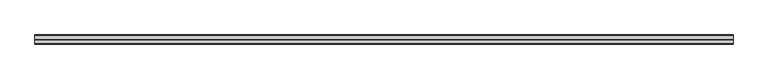
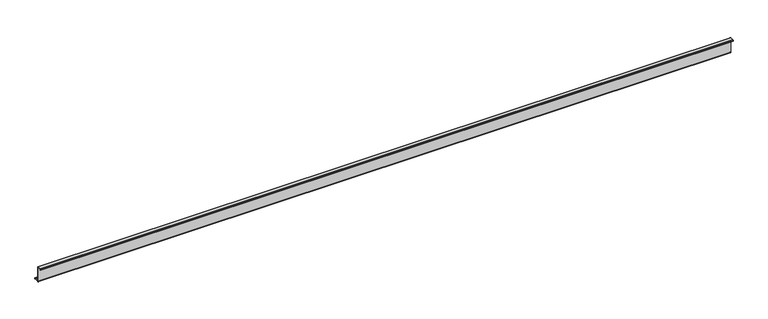
"""IFC4 building model written with IfcOpenShell, lengths in millimetres: member geometry."""

from ifc_helpers import new_model, si_unit, point, frame, frame_2d, origin, place, context, project, spatial, polyline, circle_curve, trimmed, segment, composite_curve, outline, extrude, source, transform, mapped, element, save


def member_8afa340a(model_context):
    return source(origin(), model_context, "Body", "SweptSolid", [
        extrude(outline(composite_curve([segment(polyline([(0.0, -123.5), (0.0, 123.5)]), True, "CONTINUOUS"), segment(trimmed(circle_curve(frame_2d((-2.0, 123.5)), 2.0), [point((0.0, 123.5))], [point((-2.0, 125.5))], True, "CARTESIAN"), True, "CONTINUOUS"), segment(polyline([(-2.0, 125.5), (-63.5, 125.5)]), True, "CONTINUOUS"), segment(trimmed(circle_curve(frame_2d((-63.5, 123.5)), 2.0), [point((-63.5, 125.5))], [point((-65.5, 123.5))], True, "CARTESIAN"), True, "CONTINUOUS"), segment(polyline([(-65.5, 123.5), (-65.5, 107.0), (-67.0, 107.0), (-67.0, 123.5)]), True, "CONTINUOUS"), segment(trimmed(circle_curve(frame_2d((-63.5, 123.5)), 3.5), [point((-67.0, 123.5))], [point((-63.5, 127.0))], False, "CARTESIAN"), True, "CONTINUOUS"), segment(polyline([(-63.5, 127.0), (-2.0, 127.0)]), True, "CONTINUOUS"), segment(trimmed(circle_curve(frame_2d((-2.0, 123.5)), 3.5), [point((-2.0, 127.0))], [point((1.5, 123.5))], False, "CARTESIAN"), True, "CONTINUOUS"), segment(polyline([(1.5, 123.5), (1.5, -123.5)]), True, "CONTINUOUS"), segment(trimmed(circle_curve(frame_2d((3.5, -123.5)), 2.0), [point((1.5, -123.5))], [point((3.5, -125.5))], True, "CARTESIAN"), True, "CONTINUOUS"), segment(polyline([(3.5, -125.5), (75.0, -125.5)]), True, "CONTINUOUS"), segment(trimmed(circle_curve(frame_2d((75.0, -123.5)), 2.0), [point((75.0, -125.5))], [point((77.0, -123.5))], True, "CARTESIAN"), True, "CONTINUOUS"), segment(polyline([(77.0, -123.5), (77.0, -107.5), (78.5, -107.5), (78.5, -123.5)]), True, "CONTINUOUS"), segment(trimmed(circle_curve(frame_2d((75.0, -123.5)), 3.5), [point((78.5, -123.5))], [point((75.0, -127.0))], False, "CARTESIAN"), True, "CONTINUOUS"), segment(polyline([(75.0, -127.0), (3.5, -127.0)]), True, "CONTINUOUS"), segment(trimmed(circle_curve(frame_2d((3.5, -123.5)), 3.5), [point((3.5, -127.0))], [point((0.0, -123.5))], False, "CARTESIAN"), True, "CONTINUOUS")], self_intersect=False)), frame((-5575.0, 0.0, 0.0), z_axis=(1.0, 0.0, 0.0), x_axis=(0.0, 1.0, 0.0)), (0.0, 0.0, 1.0), 11150.0),
    ])


if __name__ == "__main__":
    model = new_model("IFC4")
    model_context = context("Model", 3, world=origin())
    ifc_project = project(units=[si_unit("LENGTHUNIT", "METRE", prefix="MILLI")], contexts=[model_context])
    site = spatial("IfcSite", under=ifc_project)
    building = spatial("IfcBuilding", under=site)
    placement = place(None, origin())
    member_shape = member_8afa340a(model_context)
    element("IfcMember", 1, at=placement, inside=building, context=model_context, shape_type="MappedRepresentation", body=[
        mapped(member_shape, transform((0.0, 0.0, 0.0), x_axis=(1.0, 0.0, 0.0), y_axis=(0.0, 1.0, 0.0), z_axis=(0.0, 0.0, 1.0))),
    ])
    save(model, "model.ifc")
